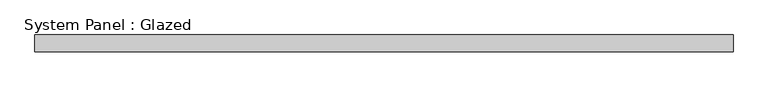
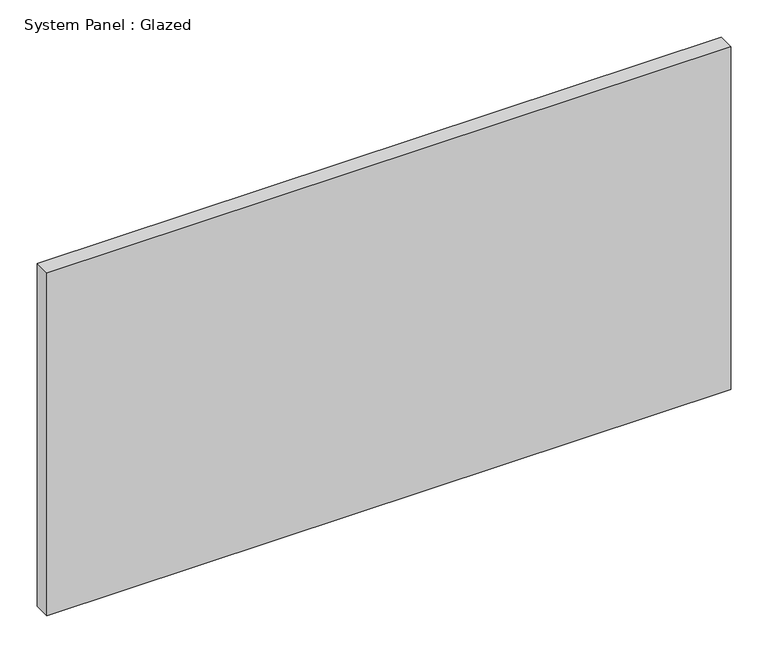
"""IFC4 building model written with IfcOpenShell, lengths in millimetres: plate geometry, System Panel : Glazed."""

import ifcopenshell
import ifcopenshell.guid

model = None  # the IFC model being written
_history = None  # IfcOwnerHistory: only IFC2X3 demands one
_inside = {}  # id of a spatial element -> (the spatial element, [elements in it])
_under = {}  # id of a project, library or spatial element -> (it, [spatial elements below it])
_declared = {}  # id of a project -> (the project, [libraries it declares])
_typed = {}  # id of a type object -> (the type object, [elements of that type])
_made_of = {}  # id of a material, layer set ... -> (it, [elements and type objects made of it])


def new_model(schema):
    """Start an empty IFC model of exactly this schema.

    Asked for "IFC4X3", IfcOpenShell would pick the latest addendum, in which some entities
    have other attributes; the version numbers below select the first issue.
    IFC2X3 requires an IfcOwnerHistory on every rooted entity: one is made here for all.
    """
    global model, _history
    if schema == "IFC4X3":
        model = ifcopenshell.file(schema_version=(4, 3, 0, 0))
    else:
        model = ifcopenshell.file(schema=schema)
    _inside.clear()
    _under.clear()
    _declared.clear()
    _typed.clear()
    _made_of.clear()
    _history = None
    if model.schema == "IFC2X3":
        org = make("IfcOrganization", Name="unknown")
        user = make(
            "IfcPersonAndOrganization",
            ThePerson=make("IfcPerson", FamilyName="unknown"),
            TheOrganization=org,
        )
        app = make(
            "IfcApplication",
            ApplicationDeveloper=org,
            Version="unknown",
            ApplicationFullName="unknown",
            ApplicationIdentifier="unknown",
        )
        _history = make(
            "IfcOwnerHistory",
            OwningUser=user,
            OwningApplication=app,
            ChangeAction="ADDED",
            CreationDate=0,
        )
    return model


def make(cls, **values):
    """One entity of the class cls with the attributes given. An attribute that is None is left unset."""
    return model.create_entity(
        cls, **{name: value for name, value in values.items() if value is not None}
    )


def rooted(cls, **values):
    """An entity with a GlobalId (a new one), such as an element, a storey or a relation."""
    return make(cls, GlobalId=ifcopenshell.guid.new(), OwnerHistory=_history, **values)


def si_unit(unit_type, name, prefix=None):
    """IfcSIUnit, for example si_unit("LENGTHUNIT", "METRE", prefix="MILLI")."""
    return make("IfcSIUnit", UnitType=unit_type, Prefix=prefix, Name=name)


def assignment(units):
    """IfcUnitAssignment: the units of a project."""
    return None if units is None else make("IfcUnitAssignment", Units=units)


def point(xyz):
    """IfcCartesianPoint."""
    return None if xyz is None else make("IfcCartesianPoint", Coordinates=xyz)


def direction(xyz):
    """IfcDirection."""
    return None if xyz is None else make("IfcDirection", DirectionRatios=xyz)


def frame(location, z_axis=None, x_axis=None):
    """IfcAxis2Placement3D, a coordinate frame: its origin and axes. An axis left out is left unset."""
    return make(
        "IfcAxis2Placement3D",
        Location=point(location),
        Axis=direction(z_axis),
        RefDirection=direction(x_axis),
    )


def origin():
    """The frame at (0, 0, 0) with its axes left unset."""
    return frame((0.0, 0.0, 0.0))


def origin_with_axes():
    """The frame at (0, 0, 0) with the z axis (0, 0, 1) and the x axis (1, 0, 0) written out."""
    return frame((0.0, 0.0, 0.0), z_axis=(0.0, 0.0, 1.0), x_axis=(1.0, 0.0, 0.0))


def place(relative_to, where):
    """IfcLocalPlacement: puts the frame where relative to a parent placement (None: the world)."""
    return make(
        "IfcLocalPlacement", PlacementRelTo=relative_to, RelativePlacement=where
    )


def context(
    kind, dimensions, precision=None, world=None, true_north=None, identifier=None
):
    """IfcGeometricRepresentationContext, for example the 3D "Model" context."""
    return make(
        "IfcGeometricRepresentationContext",
        ContextIdentifier=identifier,
        ContextType=kind,
        CoordinateSpaceDimension=dimensions,
        Precision=precision,
        WorldCoordinateSystem=world,
        TrueNorth=true_north,
    )


def project(units=None, contexts=None):
    """IfcProject with its units and contexts."""
    return rooted(
        "IfcProject",
        Name="project",
        RepresentationContexts=contexts,
        UnitsInContext=assignment(units),
    )


def spatial(cls, under=None, at=None, **own):
    """A site, building, storey or space (cls), placed at a placement, below another one or the project."""
    s = rooted(cls, ObjectPlacement=at, **own)
    if under is not None:
        _under.setdefault(under.id(), (under, []))[1].append(s)
    return s


def polyline(points):
    """IfcPolyline through the points."""
    return make("IfcPolyline", Points=[point(p) for p in points])


def outline(outer, holes=None, kind="AREA"):
    """IfcArbitraryClosedProfileDef: a profile drawn as a closed curve; with holes, ...WithVoids."""
    if holes is None:
        return make("IfcArbitraryClosedProfileDef", ProfileType=kind, OuterCurve=outer)
    return make(
        "IfcArbitraryProfileDefWithVoids",
        ProfileType=kind,
        OuterCurve=outer,
        InnerCurves=holes,
    )


def extrude(swept, where, along, depth):
    """IfcExtrudedAreaSolid: the profile swept, set in the frame where, extruded along a direction by depth."""
    return make(
        "IfcExtrudedAreaSolid",
        SweptArea=swept,
        Position=where,
        ExtrudedDirection=direction(along),
        Depth=depth,
    )


def shape(context_of_items, identifier, shape_type, items):
    """IfcShapeRepresentation: the items that make up one representation, for example the "Body"."""
    return make(
        "IfcShapeRepresentation",
        ContextOfItems=context_of_items,
        RepresentationIdentifier=identifier,
        RepresentationType=shape_type,
        Items=items,
    )


def source(mapping_origin, context_of_items, identifier, shape_type, items):
    """IfcRepresentationMap: a shape defined once, which mapped items show again and again."""
    return make(
        "IfcRepresentationMap",
        MappingOrigin=mapping_origin,
        MappedRepresentation=shape(context_of_items, identifier, shape_type, items),
    )


def transform(
    local_origin,
    x_axis=None,
    y_axis=None,
    z_axis=None,
    scale=None,
    scale2=None,
    scale3=None,
    uniform=True,
):
    """IfcCartesianTransformationOperator3D, or its non-uniform kind. x_axis, y_axis, z_axis: its Axis1, 2, 3."""
    if uniform:
        return make(
            "IfcCartesianTransformationOperator3D",
            Axis1=direction(x_axis),
            Axis2=direction(y_axis),
            LocalOrigin=point(local_origin),
            Scale=scale,
            Axis3=direction(z_axis),
        )
    return make(
        "IfcCartesianTransformationOperator3DnonUniform",
        Axis1=direction(x_axis),
        Axis2=direction(y_axis),
        LocalOrigin=point(local_origin),
        Scale=scale,
        Axis3=direction(z_axis),
        Scale2=scale2,
        Scale3=scale3,
    )


def mapped(mapping_source, mapping_target):
    """IfcMappedItem: shows the shape of a source again, moved by a transform."""
    return make(
        "IfcMappedItem", MappingSource=mapping_source, MappingTarget=mapping_target
    )


def made_of(thing, what):
    """Note that an element or type object is made of a material, layer set ...; save() writes the relation."""
    if what is not None:
        _made_of.setdefault(what.id(), (what, []))[1].append(thing)
    return thing


def element(
    cls,
    number,
    at=None,
    inside=None,
    cuts=None,
    type_object=None,
    material=None,
    context=None,
    identifier="Body",
    shape_type=None,
    held_by="IfcProductDefinitionShape",
    body=None,
    shapes=None,
    **own,
):
    """One element of the class cls, such as IfcWall. Its Tag is "e" and its number.

    at: its placement. inside: the storey or other place that contains it. cuts: it is an
    opening in that element (IfcRelVoidsElement). A single representation is given by context,
    identifier, shape_type and body (its items); several are given by shapes. held_by: the class
    of the entity that holds the representations. save() writes the other relations.
    """
    e = rooted(cls, Tag="e%d" % number, ObjectPlacement=at, **own)
    if body is not None:
        shapes = [shape(context, identifier, shape_type, body)]
    if shapes is not None:
        e.Representation = make(held_by, Representations=shapes)
    if inside is not None:
        _inside.setdefault(inside.id(), (inside, []))[1].append(e)
    if cuts is not None:
        rooted(
            "IfcRelVoidsElement", RelatingBuildingElement=cuts, RelatedOpeningElement=e
        )
    if type_object is not None:
        _typed.setdefault(type_object.id(), (type_object, []))[1].append(e)
    return made_of(e, material)


def aggregate(whole, parts):
    """IfcRelAggregates: a whole, such as a stair, and the parts it consists of."""
    return rooted("IfcRelAggregates", RelatingObject=whole, RelatedObjects=parts)


def save(model, path):
    """Write the relations noted so far, then the file.

    IfcRelAggregates (storeys below a building ...), IfcRelContainedInSpatialStructure (elements
    in a storey), IfcRelDefinesByType, IfcRelAssociatesMaterial and IfcRelDeclares: one each for
    every whole, place, type object, material and project.
    """
    for whole, parts in _under.values():
        aggregate(whole, parts)
    for where, things in _inside.values():
        rooted(
            "IfcRelContainedInSpatialStructure",
            RelatedElements=things,
            RelatingStructure=where,
        )
    for kind, things in _typed.values():
        rooted("IfcRelDefinesByType", RelatedObjects=things, RelatingType=kind)
    for what, things in _made_of.values():
        rooted("IfcRelAssociatesMaterial", RelatedObjects=things, RelatingMaterial=what)
    for by, libraries in _declared.values():
        rooted("IfcRelDeclares", RelatingContext=by, RelatedDefinitions=libraries)
    model.write(path)


def system_panel_glazed_5e4ec311(model_context):
    return source(origin(), model_context, "Body", "SweptSolid", [
        extrude(outline(polyline([(527.05, -12.7), (-527.05, -12.7), (-527.05, 12.7), (527.05, 12.7), (527.05, -12.7)])), origin_with_axes(), (0.0, 0.0, 1.0), 558.8),
    ])


if __name__ == "__main__":
    model = new_model("IFC4")
    model_context = context("Model", 3, world=origin())
    ifc_project = project(units=[si_unit("LENGTHUNIT", "METRE", prefix="MILLI")], contexts=[model_context])
    site = spatial("IfcSite", under=ifc_project)
    building = spatial("IfcBuilding", under=site)
    placement = place(None, origin())
    system_panel_glazed_shape = system_panel_glazed_5e4ec311(model_context)
    element("IfcPlate", 1, ObjectType="System Panel : Glazed", at=placement, inside=building, context=model_context, shape_type="MappedRepresentation", body=[
        mapped(system_panel_glazed_shape, transform((0.0, 0.0, 0.0), x_axis=(1.0, 0.0, 0.0), y_axis=(0.0, 1.0, 0.0), z_axis=(0.0, 0.0, 1.0))),
    ])
    save(model, "model.ifc")
